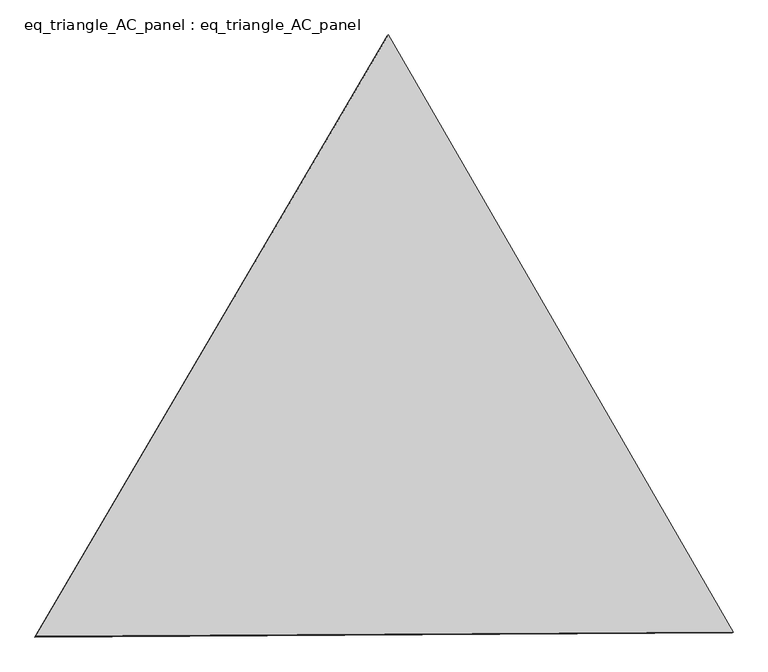
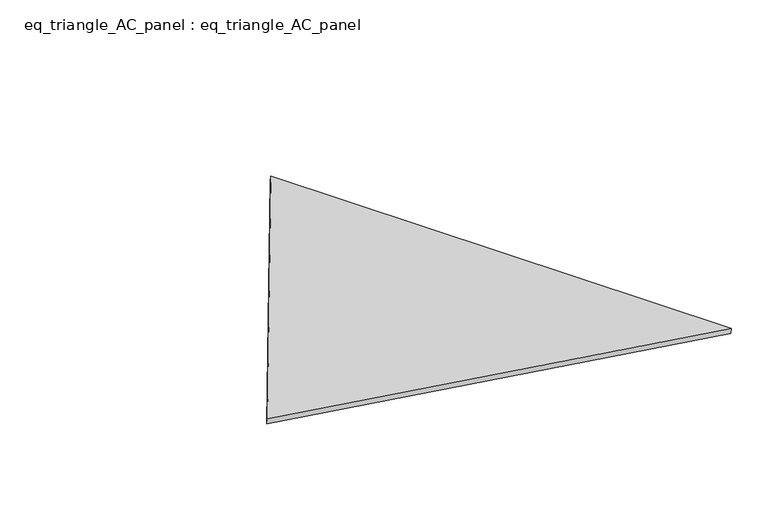
"""IFC4 building model written with IfcOpenShell, lengths in millimetres: proxy geometry, eq_triangle_AC_panel : eq_triangle_AC_panel."""

from ifc_helpers import new_model, si_unit, frame, origin, place, context, project, spatial, polyline, outline, extrude, source, transform, mapped, element, save


def eq_triangle_ac_panel_eq_triangle_ac_panel_bda5bf7c(model_context):
    return source(origin(), model_context, "Body", "SweptSolid", [
        extrude(outline(polyline([(-2017.7410617, 1198.9367817), (2017.7410616, 1198.9367817), (-1e-07, -2397.8735635), (-2017.7410617, 1198.9367817)])), frame((-6.3631761, 524.2531996, 46.6143561), z_axis=(0.14526328518056708, 0.08386570281804749, 0.9858321976225896), x_axis=(0.5000027697421019, -0.8660238046639047, -2.383668161975009e-06)), (0.0, 0.0, 1.0), 43.8306294),
    ])


if __name__ == "__main__":
    model = new_model("IFC4")
    model_context = context("Model", 3, world=origin())
    ifc_project = project(units=[si_unit("LENGTHUNIT", "METRE", prefix="MILLI")], contexts=[model_context])
    site = spatial("IfcSite", under=ifc_project)
    building = spatial("IfcBuilding", under=site)
    placement = place(None, origin())
    eq_triangle_ac_panel_eq_triangle_ac_panel_shape = eq_triangle_ac_panel_eq_triangle_ac_panel_bda5bf7c(model_context)
    element("IfcBuildingElementProxy", 1, Name="eq_triangle_AC_panel : eq_triangle_AC_panel", ObjectType="eq_triangle_AC_panel : eq_triangle_AC_panel", at=placement, inside=building, context=model_context, shape_type="MappedRepresentation", body=[
        mapped(eq_triangle_ac_panel_eq_triangle_ac_panel_shape, transform((0.0, 0.0, 0.0), x_axis=(1.0, 0.0, 0.0), y_axis=(0.0, 1.0, 0.0), z_axis=(0.0, 0.0, 1.0))),
    ])
    save(model, "model.ifc")
